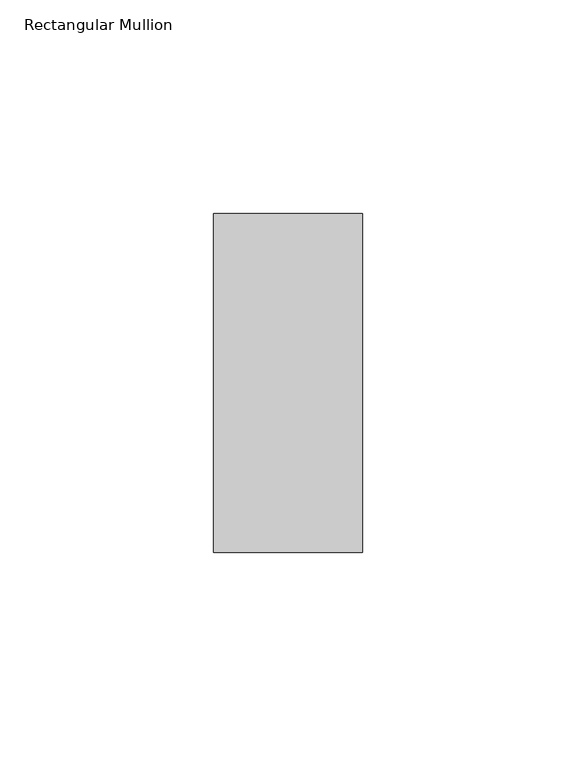
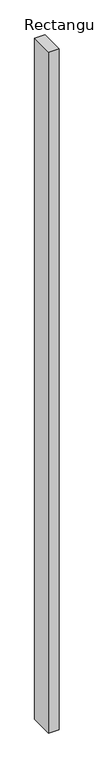
"""IFC4 building model written with IfcOpenShell, lengths in millimetres: member geometry, Rectangular Mullion."""

from ifc_helpers import new_model, si_unit, frame, origin, place, context, project, spatial, polyline, outline, extrude, source, transform, mapped, element, save


def rectangular_mullion_5f47f8b9(model_context):
    return source(origin(), model_context, "Body", "SweptSolid", [
        extrude(outline(polyline([(0.0, 34.925), (0.0, -44.45), (-34.925, -44.45), (-34.925, 34.925), (0.0, 34.925)])), frame((0.0, 0.0, -2403.475), z_axis=(0.0, 0.0, 1.0), x_axis=(1.0, 0.0, 0.0)), (0.0, 0.0, 1.0), 2403.475),
    ])


if __name__ == "__main__":
    model = new_model("IFC4")
    model_context = context("Model", 3, world=origin())
    ifc_project = project(units=[si_unit("LENGTHUNIT", "METRE", prefix="MILLI")], contexts=[model_context])
    site = spatial("IfcSite", under=ifc_project)
    building = spatial("IfcBuilding", under=site)
    placement = place(None, origin())
    rectangular_mullion_shape = rectangular_mullion_5f47f8b9(model_context)
    element("IfcMember", 1, ObjectType="Rectangular Mullion", at=placement, inside=building, context=model_context, shape_type="MappedRepresentation", body=[
        mapped(rectangular_mullion_shape, transform((0.0, 0.0, 0.0), x_axis=(1.0, 0.0, 0.0), y_axis=(0.0, 1.0, 0.0), z_axis=(0.0, 0.0, 1.0))),
    ])
    save(model, "model.ifc")
